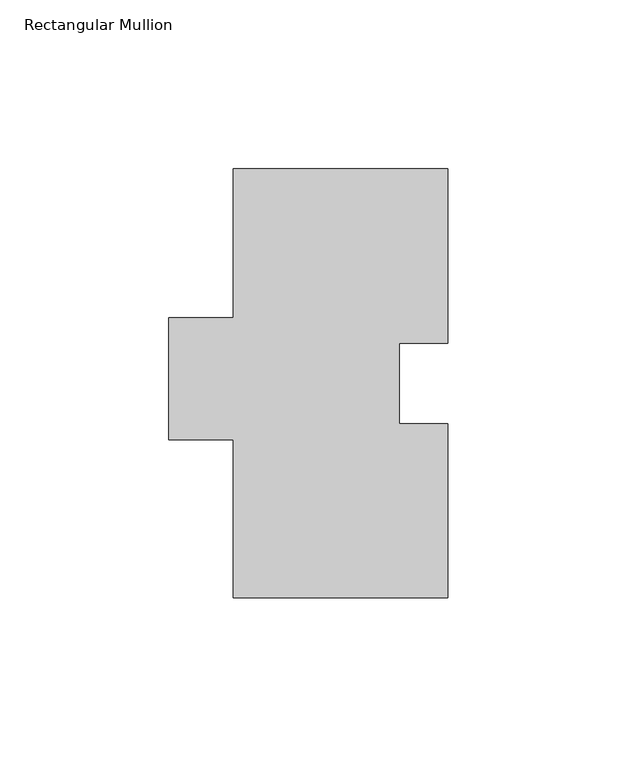
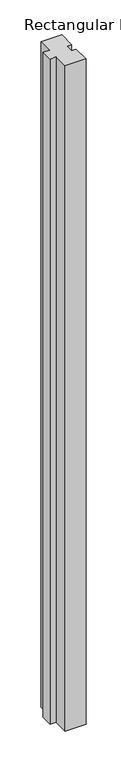
"""IFC4 building model written with IfcOpenShell, lengths in millimetres: member geometry, Rectangular Mullion."""

from ifc_helpers import new_model, si_unit, frame, origin, place, context, project, spatial, polyline, outline, extrude, source, transform, mapped, element, save


def rectangular_mullion_8bd29729(model_context):
    return source(origin(), model_context, "Body", "SweptSolid", [
        extrude(outline(polyline([(17.4622287, 75.3999), (17.4622287, 51.6001), (31.7497287, 51.6001), (31.7497287, 0.0), (-31.7497287, 0.0), (-31.7497287, 46.83125), (-50.8002713, 46.83125), (-50.8002713, 82.9250181), (-31.7502713, 82.9250181), (-31.7502713, 127.0), (31.7502713, 127.0), (31.7502713, 75.3999), (17.4622287, 75.3999)])), frame((0.0, 0.0, -2133.6), z_axis=(0.0, 0.0, 1.0), x_axis=(1.0, 0.0, 0.0)), (0.0, 0.0, 1.0), 2133.6),
    ])


if __name__ == "__main__":
    model = new_model("IFC4")
    model_context = context("Model", 3, world=origin())
    ifc_project = project(units=[si_unit("LENGTHUNIT", "METRE", prefix="MILLI")], contexts=[model_context])
    site = spatial("IfcSite", under=ifc_project)
    building = spatial("IfcBuilding", under=site)
    placement = place(None, origin())
    rectangular_mullion_shape = rectangular_mullion_8bd29729(model_context)
    element("IfcMember", 1, ObjectType="Rectangular Mullion", at=placement, inside=building, context=model_context, shape_type="MappedRepresentation", body=[
        mapped(rectangular_mullion_shape, transform((0.0, 0.0, 0.0), x_axis=(1.0, 0.0, 0.0), y_axis=(0.0, 1.0, 0.0), z_axis=(0.0, 0.0, 1.0))),
    ])
    save(model, "model.ifc")
